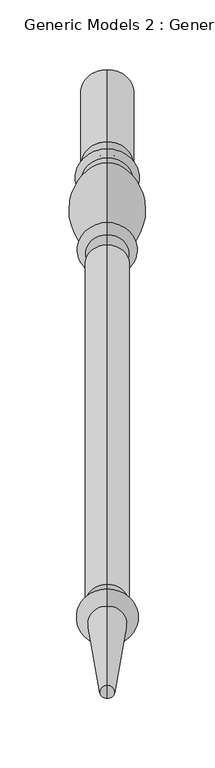
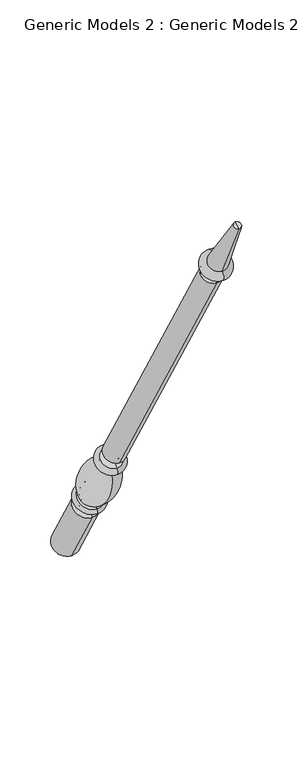
"""IFC4 building model written with IfcOpenShell, lengths in millimetres: proxy geometry, Generic Models 2 : Generic Models 2."""

from ifc_helpers import new_model, si_unit, point, frame, origin, place, context, project, spatial, polyline, circle_curve, ellipse_curve, trimmed, source, transform, mapped, element, save
from ifc_brep_helpers import plane_surface, cylinder_surface, revolved_surface, advanced_brep


def generic_models_2_generic_models_2_fcb1d325(model_context):
    return source(origin(), model_context, "Body", "AdvancedBrep", [
        advanced_brep(
        [(-2356.2684498, 1861.1601077, 610.5814746), (-2356.2684498, 1828.1645398, 591.5314746), (-2356.2684498, 1880.0576333, 501.65), (-2356.2684498, 1913.0532012, 520.7), (-2356.2684498, 1853.6896456, 623.5206944), (-2356.2684498, 1820.6940777, 604.4706944), (-2356.2684498, 1849.5864045, 630.6277165), (-2356.2684498, 1816.5908366, 611.5777165), (-2356.2684498, 1845.9182158, 636.9812058), (-2356.2684498, 1812.9226479, 617.9312058), (-2356.2684498, 1801.1569262, 703.055156), (-2356.2684498, 1778.0815733, 689.7325947), (-2356.2684498, 1799.8610191, 710.4046105), (-2356.2684498, 1772.3647125, 694.5296105), (-2356.2684498, 1794.1590629, 720.2806883), (-2356.2684498, 1766.6627563, 704.4056883), (-2356.2684498, 1786.7732215, 733.0733408), (-2356.2684498, 1759.276915, 717.1983408), (-2356.2684498, 1542.2982215, 1156.516462), (-2356.2684498, 1514.801915, 1140.641462), (-2356.2684498, 1537.2251467, 1153.5875209), (-2356.2684498, 1519.8749898, 1143.5704031), (-2356.2684498, 1531.1910418, 1164.0388972), (-2356.2684498, 1513.8408848, 1154.0217794), (-2356.2684498, 1534.7597609, 1166.0992981), (-2356.2684498, 1510.2721658, 1151.9613785), (-2356.2684498, 1526.5847892, 1180.2587644), (-2356.2684498, 1502.0971941, 1166.1208448), (-2356.2684498, 1469.4852742, 1261.8053229), (-2356.2684498, 1460.0255603, 1256.3437545), (-2356.2684498, 1464.7554173, 1259.0745387), (-2356.2684498, 1896.5554173, 511.175)],
        [
            (0, 1, circle_curve(frame((-2356.2684498, 1844.6623237, 601.0564746), z_axis=(0.0, 0.5000000000000062, -0.8660254037844352), x_axis=(0.0, -0.8660254037844352, -0.5000000000000062)), 19.05)),
            (1, 2),
            (2, 3, circle_curve(frame((-2356.2684498, 1896.5554173, 511.175), z_axis=(0.0, -0.5000000000000062, 0.8660254037844352), x_axis=(0.0, -0.8660254037844352, -0.5000000000000062)), 19.05)),
            (3, 0),
            (1, 0, circle_curve(frame((-2356.2684498, 1844.6623237, 601.0564746), z_axis=(0.0, 0.5000000000000062, -0.8660254037844352), x_axis=(0.0, -0.8660254037844352, -0.5000000000000062)), 19.05)),
            (3, 2, circle_curve(frame((-2356.2684498, 1896.5554173, 511.175), z_axis=(0.0, -0.5000000000000062, 0.8660254037844352), x_axis=(0.0, -0.8660254037844352, -0.5000000000000062)), 19.05)),
            (4, 5, circle_curve(frame((-2356.2684498, 1837.1918617, 613.9956944), z_axis=(0.0, 0.5000000000000062, -0.8660254037844352), x_axis=(0.0, -0.8660254037844352, -0.5000000000000062)), 19.05)),
            (5, 1, circle_curve(frame((-2356.2684498, 1821.8102989, 596.4889985), z_axis=(-1.0, 0.0, 0.0), x_axis=(0.0, 0.8660254037844352, 0.5000000000000062)), 8.0593685)),
            (0, 4, circle_curve(frame((-2356.2684498, 1860.0438865, 618.5631706), z_axis=(-1.0, 0.0, 0.0), x_axis=(0.0, -0.8660254037844352, -0.5000000000000062)), 8.0593685)),
            (5, 4, circle_curve(frame((-2356.2684498, 1837.1918617, 613.9956944), z_axis=(0.0, 0.5000000000000062, -0.8660254037844352), x_axis=(0.0, -0.8660254037844352, -0.5000000000000062)), 19.05)),
            (6, 7, circle_curve(frame((-2356.2684498, 1833.0886205, 621.1027165), z_axis=(0.0, 0.5000000000000062, -0.8660254037844352), x_axis=(0.0, -0.8660254037844352, -0.5000000000000062)), 19.05)),
            (7, 5, circle_curve(frame((-2356.2684498, 1818.6424572, 608.0242055), z_axis=(1.0, 0.0, 0.0), x_axis=(0.0, 0.8660254037844352, 0.5000000000000062)), 4.1032411)),
            (4, 6, circle_curve(frame((-2356.2684498, 1851.638025, 627.0742055), z_axis=(1.0, 0.0, 0.0), x_axis=(0.0, -0.8660254037844352, -0.5000000000000062)), 4.1032411)),
            (7, 6, circle_curve(frame((-2356.2684498, 1833.0886205, 621.1027165), z_axis=(0.0, 0.5000000000000062, -0.8660254037844352), x_axis=(0.0, -0.8660254037844352, -0.5000000000000062)), 19.05)),
            (8, 9, circle_curve(frame((-2356.2684498, 1829.4204318, 627.4562058), z_axis=(0.0, 0.5000000000000062, -0.8660254037844352), x_axis=(0.0, -0.8660254037844352, -0.5000000000000062)), 19.05)),
            (9, 7, circle_curve(frame((-2356.2684498, 1813.3633086, 613.9499618), z_axis=(-1.0, 0.0, 0.0), x_axis=(0.0, 0.8660254037844352, 0.5000000000000062)), 4.0055568)),
            (6, 8, circle_curve(frame((-2356.2684498, 1849.1457438, 634.6089605), z_axis=(-1.0, 0.0, 0.0), x_axis=(0.0, -0.8660254037844352, -0.5000000000000062)), 4.0055568)),
            (9, 8, circle_curve(frame((-2356.2684498, 1829.4204318, 627.4562058), z_axis=(0.0, 0.5000000000000062, -0.8660254037844352), x_axis=(0.0, -0.8660254037844352, -0.5000000000000062)), 19.05)),
            (10, 11, circle_curve(frame((-2356.2684498, 1789.6192497, 696.3938754), z_axis=(0.0, 0.5000000000000062, -0.8660254037844352), x_axis=(0.0, -0.8660254037844352, -0.5000000000000062)), 13.3225612)),
            (11, 9, circle_curve(frame((-2356.2684498, 1854.1299968, 682.2806335), z_axis=(1.0, 0.0, 0.0), x_axis=(0.0, 0.8660254037844352, 0.5000000000000062)), 76.412659)),
            (8, 10, circle_curve(frame((-2356.2684498, 1769.5863022, 633.4693086), z_axis=(1.0, 0.0, 0.0), x_axis=(0.0, -0.8660254037844352, -0.5000000000000062)), 76.412659)),
            (11, 10, circle_curve(frame((-2356.2684498, 1789.6192497, 696.3938754), z_axis=(0.0, 0.5000000000000062, -0.8660254037844352), x_axis=(0.0, -0.8660254037844352, -0.5000000000000062)), 13.3225612)),
            (12, 13, circle_curve(frame((-2356.2684498, 1786.1128658, 702.4671105), z_axis=(0.0, 0.5000000000000062, -0.8660254037844352), x_axis=(0.0, -0.8660254037844352, -0.5000000000000062)), 15.875)),
            (13, 11, circle_curve(frame((-2356.2684498, 1773.4069828, 689.9666873), z_axis=(-1.0, 0.0, 0.0), x_axis=(0.0, 0.8660254037844352, 0.5000000000000062)), 4.6804482)),
            (10, 12, circle_curve(frame((-2356.2684498, 1803.2914914, 707.2205164), z_axis=(-1.0, 0.0, 0.0), x_axis=(0.0, -0.8660254037844352, -0.5000000000000062)), 4.6804482)),
            (13, 12, circle_curve(frame((-2356.2684498, 1786.1128658, 702.4671105), z_axis=(0.0, 0.5000000000000062, -0.8660254037844352), x_axis=(0.0, -0.8660254037844352, -0.5000000000000062)), 15.875)),
            (14, 15, circle_curve(frame((-2356.2684498, 1780.4109096, 712.3431883), z_axis=(0.0, 0.5000000000000062, -0.8660254037844352), x_axis=(0.0, -0.8660254037844352, -0.5000000000000062)), 15.875)),
            (15, 13, circle_curve(frame((-2356.2684498, 1769.5137344, 699.4676494), z_axis=(1.0, 0.0, 0.0), x_axis=(0.0, 0.8660254037844352, 0.5000000000000062)), 5.7019562)),
            (12, 14, circle_curve(frame((-2356.2684498, 1797.010041, 715.3426494), z_axis=(1.0, 0.0, 0.0), x_axis=(0.0, -0.8660254037844352, -0.5000000000000062)), 5.7019562)),
            (15, 14, circle_curve(frame((-2356.2684498, 1780.4109096, 712.3431883), z_axis=(0.0, 0.5000000000000062, -0.8660254037844352), x_axis=(0.0, -0.8660254037844352, -0.5000000000000062)), 15.875)),
            (16, 17, circle_curve(frame((-2356.2684498, 1773.0250683, 725.1358408), z_axis=(0.0, 0.5000000000000062, -0.8660254037844352), x_axis=(0.0, -0.8660254037844352, -0.5000000000000062)), 15.875)),
            (17, 15, circle_curve(frame((-2356.2684498, 1762.9698356, 710.8020145), z_axis=(-1.0, 0.0, 0.0), x_axis=(0.0, 0.8660254037844352, 0.5000000000000062)), 7.3858413)),
            (14, 16, circle_curve(frame((-2356.2684498, 1790.4661422, 726.6770145), z_axis=(-1.0, 0.0, 0.0), x_axis=(0.0, -0.8660254037844352, -0.5000000000000062)), 7.3858413)),
            (17, 16, circle_curve(frame((-2356.2684498, 1773.0250683, 725.1358408), z_axis=(0.0, 0.5000000000000062, -0.8660254037844352), x_axis=(0.0, -0.8660254037844352, -0.5000000000000062)), 15.875)),
            (18, 19, circle_curve(frame((-2356.2684498, 1528.5500683, 1148.578962), z_axis=(0.0, 0.5000000000000062, -0.8660254037844352), x_axis=(0.0, -0.8660254037844352, -0.5000000000000062)), 15.875)),
            (19, 17),
            (16, 18),
            (19, 18, circle_curve(frame((-2356.2684498, 1528.5500683, 1148.578962), z_axis=(0.0, 0.5000000000000062, -0.8660254037844352), x_axis=(0.0, -0.8660254037844352, -0.5000000000000062)), 15.875)),
            (20, 21, circle_curve(frame((-2356.2684498, 1528.5500683, 1148.578962), z_axis=(0.0, 0.5000000000000062, -0.8660254037844352), x_axis=(0.0, -0.8660254037844352, -0.5000000000000062)), 10.0171178)),
            (21, 19),
            (18, 20),
            (21, 20, circle_curve(frame((-2356.2684498, 1528.5500683, 1148.578962), z_axis=(0.0, 0.5000000000000062, -0.8660254037844352), x_axis=(0.0, -0.8660254037844352, -0.5000000000000062)), 10.0171178)),
            (22, 23, circle_curve(frame((-2356.2684498, 1522.5159633, 1159.0303383), z_axis=(0.0, 0.5000000000000062, -0.8660254037844352), x_axis=(0.0, -0.8660254037844352, -0.5000000000000062)), 10.0171178)),
            (23, 21, circle_curve(frame((-2356.2684498, 1515.3020818, 1147.8978177), z_axis=(-1.0, 0.0, 0.0), x_axis=(0.0, 0.8660254037844352, 0.5000000000000062)), 6.295872)),
            (20, 22, circle_curve(frame((-2356.2684498, 1535.7639497, 1159.7114826), z_axis=(-1.0, 0.0, 0.0), x_axis=(0.0, -0.8660254037844352, -0.5000000000000062)), 6.295872)),
            (23, 22, circle_curve(frame((-2356.2684498, 1522.5159633, 1159.0303383), z_axis=(0.0, 0.5000000000000062, -0.8660254037844352), x_axis=(0.0, -0.8660254037844352, -0.5000000000000062)), 10.0171178)),
            (24, 25, circle_curve(frame((-2356.2684498, 1522.5159633, 1159.0303383), z_axis=(0.0, 0.5000000000000062, -0.8660254037844352), x_axis=(0.0, -0.8660254037844352, -0.5000000000000062)), 14.1379196)),
            (25, 23),
            (22, 24),
            (25, 24, circle_curve(frame((-2356.2684498, 1522.5159633, 1159.0303383), z_axis=(0.0, 0.5000000000000062, -0.8660254037844352), x_axis=(0.0, -0.8660254037844352, -0.5000000000000062)), 14.1379196)),
            (26, 27, circle_curve(frame((-2356.2684498, 1514.3409916, 1173.1898046), z_axis=(0.0, 0.5000000000000062, -0.8660254037844352), x_axis=(0.0, -0.8660254037844352, -0.5000000000000062)), 14.1379196)),
            (27, 25, circle_curve(frame((-2356.2684498, 1506.1846799, 1159.0411116), z_axis=(1.0, 0.0, 0.0), x_axis=(0.0, 0.8660254037844352, 0.5000000000000062)), 8.1749717)),
            (24, 26, circle_curve(frame((-2356.2684498, 1530.672275, 1173.1790313), z_axis=(1.0, 0.0, 0.0), x_axis=(0.0, -0.8660254037844352, -0.5000000000000062)), 8.1749717)),
            (27, 26, circle_curve(frame((-2356.2684498, 1514.3409916, 1173.1898046), z_axis=(0.0, 0.5000000000000062, -0.8660254037844352), x_axis=(0.0, -0.8660254037844352, -0.5000000000000062)), 14.1379196)),
            (28, 29, circle_curve(frame((-2356.2684498, 1464.7554173, 1259.0745387), z_axis=(0.0, 0.5000000000000062, -0.8660254037844352), x_axis=(0.0, -0.8660254037844352, -0.5000000000000062)), 5.4615684)),
            (29, 27),
            (26, 28),
            (29, 28, circle_curve(frame((-2356.2684498, 1464.7554173, 1259.0745387), z_axis=(0.0, 0.5000000000000062, -0.8660254037844352), x_axis=(0.0, -0.8660254037844352, -0.5000000000000062)), 5.4615684)),
            (30, 29),
            (28, 30),
            (2, 31),
            (31, 3),
        ],
        [
            cylinder_surface(frame((-2356.2684498, 1464.7554173, 1259.0745387), z_axis=(0.0, -0.5000000000000062, 0.8660254037844352), x_axis=(0.0, -0.8660254037844352, -0.5000000000000062)), 19.05),
            revolved_surface(trimmed(ellipse_curve(frame((-2356.2684498, 1821.8102989, 596.4889985), z_axis=(1.0, 0.0, 0.0), x_axis=(0.0, 0.8660254037844352, 0.5000000000000062)), 8.0593685, 8.0593685), [point((-2356.2684498, 1828.1645398, 591.5314746))], [point((-2356.2684498, 1820.6940777, 604.4706944))], True, "CARTESIAN"), (-2356.2684498, 1464.7554173, 1259.0745387), (0.0, -0.5000000000000062, 0.8660254037844352)),
            revolved_surface(trimmed(ellipse_curve(frame((-2356.2684498, 1818.6424572, 608.0242055), z_axis=(-1.0, 0.0, 0.0), x_axis=(0.0, 0.8660254037844352, 0.5000000000000062)), 4.1032411, 4.1032411), [point((-2356.2684498, 1820.6940777, 604.4706944))], [point((-2356.2684498, 1816.5908366, 611.5777165))], True, "CARTESIAN"), (-2356.2684498, 1464.7554173, 1259.0745387), (0.0, -0.5000000000000062, 0.8660254037844352)),
            revolved_surface(trimmed(ellipse_curve(frame((-2356.2684498, 1813.3633086, 613.9499618), z_axis=(1.0, 0.0, 0.0), x_axis=(0.0, 0.8660254037844352, 0.5000000000000062)), 4.0055568, 4.0055568), [point((-2356.2684498, 1816.5908366, 611.5777165))], [point((-2356.2684498, 1812.9226479, 617.9312058))], True, "CARTESIAN"), (-2356.2684498, 1464.7554173, 1259.0745387), (0.0, -0.5000000000000062, 0.8660254037844352)),
            revolved_surface(trimmed(ellipse_curve(frame((-2356.2684498, 1854.1299968, 682.2806335), z_axis=(-1.0, 0.0, 0.0), x_axis=(0.0, 0.8660254037844352, 0.5000000000000062)), 76.412659, 76.412659), [point((-2356.2684498, 1812.9226479, 617.9312058))], [point((-2356.2684498, 1778.0815733, 689.7325947))], True, "CARTESIAN"), (-2356.2684498, 1464.7554173, 1259.0745387), (0.0, -0.5000000000000062, 0.8660254037844352)),
            revolved_surface(trimmed(ellipse_curve(frame((-2356.2684498, 1773.4069828, 689.9666873), z_axis=(1.0, 0.0, 0.0), x_axis=(0.0, 0.8660254037844352, 0.5000000000000062)), 4.6804482, 4.6804482), [point((-2356.2684498, 1778.0815733, 689.7325947))], [point((-2356.2684498, 1772.3647125, 694.5296105))], True, "CARTESIAN"), (-2356.2684498, 1464.7554173, 1259.0745387), (0.0, -0.5000000000000062, 0.8660254037844352)),
            revolved_surface(trimmed(ellipse_curve(frame((-2356.2684498, 1769.5137344, 699.4676494), z_axis=(-1.0, 0.0, 0.0), x_axis=(0.0, 0.8660254037844352, 0.5000000000000062)), 5.7019562, 5.7019562), [point((-2356.2684498, 1772.3647125, 694.5296105))], [point((-2356.2684498, 1766.6627563, 704.4056883))], True, "CARTESIAN"), (-2356.2684498, 1464.7554173, 1259.0745387), (0.0, -0.5000000000000062, 0.8660254037844352)),
            revolved_surface(trimmed(ellipse_curve(frame((-2356.2684498, 1762.9698356, 710.8020145), z_axis=(1.0, 0.0, 0.0), x_axis=(0.0, 0.8660254037844352, 0.5000000000000062)), 7.3858413, 7.3858413), [point((-2356.2684498, 1766.6627563, 704.4056883))], [point((-2356.2684498, 1759.276915, 717.1983408))], True, "CARTESIAN"), (-2356.2684498, 1464.7554173, 1259.0745387), (0.0, -0.5000000000000062, 0.8660254037844352)),
            cylinder_surface(frame((-2356.2684498, 1464.7554173, 1259.0745387), z_axis=(0.0, -0.5000000000000062, 0.8660254037844352), x_axis=(0.0, -0.8660254037844352, -0.5000000000000062)), 15.875),
            plane_surface(frame((-2356.2684498, 1528.5500683, 1148.578962), z_axis=(0.0, -0.5000000000000062, 0.8660254037844352), x_axis=(0.0, -0.8660254037844352, -0.5000000000000062))),
            revolved_surface(trimmed(ellipse_curve(frame((-2356.2684498, 1515.3020818, 1147.8978177), z_axis=(1.0, 0.0, 0.0), x_axis=(0.0, 0.8660254037844352, 0.5000000000000062)), 6.295872, 6.295872), [point((-2356.2684498, 1519.8749898, 1143.5704031))], [point((-2356.2684498, 1513.8408848, 1154.0217794))], True, "CARTESIAN"), (-2356.2684498, 1464.7554173, 1259.0745387), (0.0, -0.5000000000000062, 0.8660254037844352)),
            plane_surface(frame((-2356.2684498, 1522.5159633, 1159.0303383), z_axis=(0.0, 0.5000000000000062, -0.8660254037844352), x_axis=(0.0, -0.8660254037844352, -0.5000000000000062))),
            revolved_surface(trimmed(ellipse_curve(frame((-2356.2684498, 1506.1846799, 1159.0411116), z_axis=(-1.0, 0.0, 0.0), x_axis=(0.0, 0.8660254037844352, 0.5000000000000062)), 8.1749717, 8.1749717), [point((-2356.2684498, 1510.2721658, 1151.9613785))], [point((-2356.2684498, 1502.0971941, 1166.1208448))], True, "CARTESIAN"), (-2356.2684498, 1464.7554173, 1259.0745387), (0.0, -0.5000000000000062, 0.8660254037844352)),
            revolved_surface(polyline([(-2356.2684498, 1502.0971941, 1166.1208448), (-2356.2684498, 1460.0255603, 1256.3437545)]), (-2356.2684498, 1464.7554173, 1259.0745387), (0.0, -0.5000000000000062, 0.8660254037844352)),
            plane_surface(frame((-2356.2684498, 1464.7554173, 1259.0745387), z_axis=(0.0, -0.5000000000000062, 0.8660254037844352), x_axis=(0.0, -0.8660254037844352, -0.5000000000000062))),
            plane_surface(frame((-2356.2684498, 1896.5554173, 511.175), z_axis=(0.0, 0.5000000000000062, -0.8660254037844352), x_axis=(0.0, -0.8660254037844352, -0.5000000000000062))),
        ],
        [
            (0, [[1, 2, 3, 4]]),
            (0, [[5, -4, 6, -2]]),
            (1, [[7, 8, -1, 9]]),
            (1, [[10, -9, -5, -8]]),
            (2, [[11, 12, -7, 13]]),
            (2, [[14, -13, -10, -12]]),
            (3, [[15, 16, -11, 17]]),
            (3, [[18, -17, -14, -16]]),
            (4, [[19, 20, -15, 21]]),
            (4, [[22, -21, -18, -20]]),
            (5, [[23, 24, -19, 25]]),
            (5, [[26, -25, -22, -24]]),
            (6, [[27, 28, -23, 29]]),
            (6, [[30, -29, -26, -28]]),
            (7, [[31, 32, -27, 33]]),
            (7, [[34, -33, -30, -32]]),
            (8, [[35, 36, -31, 37]]),
            (8, [[38, -37, -34, -36]]),
            (9, [[39, 40, -35, 41]]),
            (9, [[42, -41, -38, -40]]),
            (10, [[43, 44, -39, 45]]),
            (10, [[46, -45, -42, -44]]),
            (11, [[47, 48, -43, 49]]),
            (11, [[50, -49, -46, -48]]),
            (12, [[51, 52, -47, 53]]),
            (12, [[54, -53, -50, -52]]),
            (13, [[55, 56, -51, 57]]),
            (13, [[58, -57, -54, -56]]),
            (14, [[59, -55, 60]]),
            (14, [[-60, -58, -59]]),
            (15, [[-3, 61, 62]]),
            (15, [[-6, -62, -61]]),
        ],
    ),
    ])


if __name__ == "__main__":
    model = new_model("IFC4")
    model_context = context("Model", 3, world=origin())
    ifc_project = project(units=[si_unit("LENGTHUNIT", "METRE", prefix="MILLI")], contexts=[model_context])
    site = spatial("IfcSite", under=ifc_project)
    building = spatial("IfcBuilding", under=site)
    placement = place(None, origin())
    generic_models_2_generic_models_2_shape = generic_models_2_generic_models_2_fcb1d325(model_context)
    element("IfcBuildingElementProxy", 1, Name="Generic Models 2 : Generic Models 2", ObjectType="Generic Models 2 : Generic Models 2", at=placement, inside=building, context=model_context, shape_type="MappedRepresentation", body=[
        mapped(generic_models_2_generic_models_2_shape, transform((0.0, 0.0, 0.0), x_axis=(1.0, 0.0, 0.0), y_axis=(0.0, 1.0, 0.0), z_axis=(0.0, 0.0, 1.0))),
    ])
    save(model, "model.ifc")
